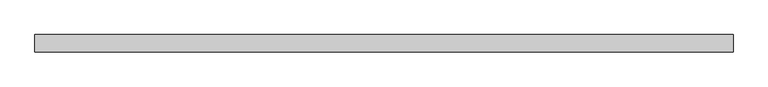
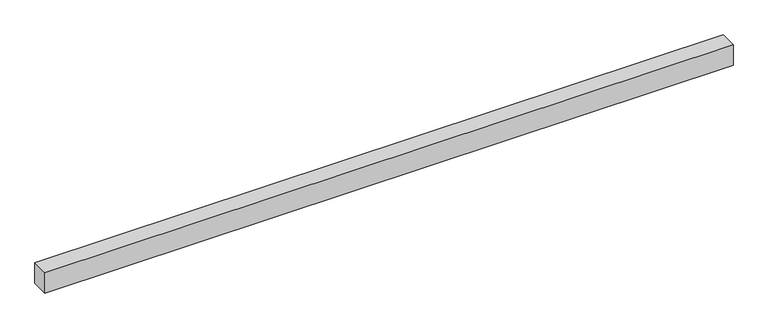
"""IFC4 building model written with IfcOpenShell, lengths in millimetres: proxy geometry."""

import ifcopenshell
import ifcopenshell.guid

model = None  # the IFC model being written
_history = None  # IfcOwnerHistory: only IFC2X3 demands one
_inside = {}  # id of a spatial element -> (the spatial element, [elements in it])
_under = {}  # id of a project, library or spatial element -> (it, [spatial elements below it])
_declared = {}  # id of a project -> (the project, [libraries it declares])
_typed = {}  # id of a type object -> (the type object, [elements of that type])
_made_of = {}  # id of a material, layer set ... -> (it, [elements and type objects made of it])


def new_model(schema):
    """Start an empty IFC model of exactly this schema.

    Asked for "IFC4X3", IfcOpenShell would pick the latest addendum, in which some entities
    have other attributes; the version numbers below select the first issue.
    IFC2X3 requires an IfcOwnerHistory on every rooted entity: one is made here for all.
    """
    global model, _history
    if schema == "IFC4X3":
        model = ifcopenshell.file(schema_version=(4, 3, 0, 0))
    else:
        model = ifcopenshell.file(schema=schema)
    _inside.clear()
    _under.clear()
    _declared.clear()
    _typed.clear()
    _made_of.clear()
    _history = None
    if model.schema == "IFC2X3":
        org = make("IfcOrganization", Name="unknown")
        user = make(
            "IfcPersonAndOrganization",
            ThePerson=make("IfcPerson", FamilyName="unknown"),
            TheOrganization=org,
        )
        app = make(
            "IfcApplication",
            ApplicationDeveloper=org,
            Version="unknown",
            ApplicationFullName="unknown",
            ApplicationIdentifier="unknown",
        )
        _history = make(
            "IfcOwnerHistory",
            OwningUser=user,
            OwningApplication=app,
            ChangeAction="ADDED",
            CreationDate=0,
        )
    return model


def make(cls, **values):
    """One entity of the class cls with the attributes given. An attribute that is None is left unset."""
    return model.create_entity(
        cls, **{name: value for name, value in values.items() if value is not None}
    )


def rooted(cls, **values):
    """An entity with a GlobalId (a new one), such as an element, a storey or a relation."""
    return make(cls, GlobalId=ifcopenshell.guid.new(), OwnerHistory=_history, **values)


def si_unit(unit_type, name, prefix=None):
    """IfcSIUnit, for example si_unit("LENGTHUNIT", "METRE", prefix="MILLI")."""
    return make("IfcSIUnit", UnitType=unit_type, Prefix=prefix, Name=name)


def assignment(units):
    """IfcUnitAssignment: the units of a project."""
    return None if units is None else make("IfcUnitAssignment", Units=units)


def point(xyz):
    """IfcCartesianPoint."""
    return None if xyz is None else make("IfcCartesianPoint", Coordinates=xyz)


def direction(xyz):
    """IfcDirection."""
    return None if xyz is None else make("IfcDirection", DirectionRatios=xyz)


def frame(location, z_axis=None, x_axis=None):
    """IfcAxis2Placement3D, a coordinate frame: its origin and axes. An axis left out is left unset."""
    return make(
        "IfcAxis2Placement3D",
        Location=point(location),
        Axis=direction(z_axis),
        RefDirection=direction(x_axis),
    )


def origin():
    """The frame at (0, 0, 0) with its axes left unset."""
    return frame((0.0, 0.0, 0.0))


def origin_with_axes():
    """The frame at (0, 0, 0) with the z axis (0, 0, 1) and the x axis (1, 0, 0) written out."""
    return frame((0.0, 0.0, 0.0), z_axis=(0.0, 0.0, 1.0), x_axis=(1.0, 0.0, 0.0))


def place(relative_to, where):
    """IfcLocalPlacement: puts the frame where relative to a parent placement (None: the world)."""
    return make(
        "IfcLocalPlacement", PlacementRelTo=relative_to, RelativePlacement=where
    )


def context(
    kind, dimensions, precision=None, world=None, true_north=None, identifier=None
):
    """IfcGeometricRepresentationContext, for example the 3D "Model" context."""
    return make(
        "IfcGeometricRepresentationContext",
        ContextIdentifier=identifier,
        ContextType=kind,
        CoordinateSpaceDimension=dimensions,
        Precision=precision,
        WorldCoordinateSystem=world,
        TrueNorth=true_north,
    )


def project(units=None, contexts=None):
    """IfcProject with its units and contexts."""
    return rooted(
        "IfcProject",
        Name="project",
        RepresentationContexts=contexts,
        UnitsInContext=assignment(units),
    )


def spatial(cls, under=None, at=None, **own):
    """A site, building, storey or space (cls), placed at a placement, below another one or the project."""
    s = rooted(cls, ObjectPlacement=at, **own)
    if under is not None:
        _under.setdefault(under.id(), (under, []))[1].append(s)
    return s


def polyline(points):
    """IfcPolyline through the points."""
    return make("IfcPolyline", Points=[point(p) for p in points])


def outline(outer, holes=None, kind="AREA"):
    """IfcArbitraryClosedProfileDef: a profile drawn as a closed curve; with holes, ...WithVoids."""
    if holes is None:
        return make("IfcArbitraryClosedProfileDef", ProfileType=kind, OuterCurve=outer)
    return make(
        "IfcArbitraryProfileDefWithVoids",
        ProfileType=kind,
        OuterCurve=outer,
        InnerCurves=holes,
    )


def extrude(swept, where, along, depth):
    """IfcExtrudedAreaSolid: the profile swept, set in the frame where, extruded along a direction by depth."""
    return make(
        "IfcExtrudedAreaSolid",
        SweptArea=swept,
        Position=where,
        ExtrudedDirection=direction(along),
        Depth=depth,
    )


def shape(context_of_items, identifier, shape_type, items):
    """IfcShapeRepresentation: the items that make up one representation, for example the "Body"."""
    return make(
        "IfcShapeRepresentation",
        ContextOfItems=context_of_items,
        RepresentationIdentifier=identifier,
        RepresentationType=shape_type,
        Items=items,
    )


def source(mapping_origin, context_of_items, identifier, shape_type, items):
    """IfcRepresentationMap: a shape defined once, which mapped items show again and again."""
    return make(
        "IfcRepresentationMap",
        MappingOrigin=mapping_origin,
        MappedRepresentation=shape(context_of_items, identifier, shape_type, items),
    )


def transform(
    local_origin,
    x_axis=None,
    y_axis=None,
    z_axis=None,
    scale=None,
    scale2=None,
    scale3=None,
    uniform=True,
):
    """IfcCartesianTransformationOperator3D, or its non-uniform kind. x_axis, y_axis, z_axis: its Axis1, 2, 3."""
    if uniform:
        return make(
            "IfcCartesianTransformationOperator3D",
            Axis1=direction(x_axis),
            Axis2=direction(y_axis),
            LocalOrigin=point(local_origin),
            Scale=scale,
            Axis3=direction(z_axis),
        )
    return make(
        "IfcCartesianTransformationOperator3DnonUniform",
        Axis1=direction(x_axis),
        Axis2=direction(y_axis),
        LocalOrigin=point(local_origin),
        Scale=scale,
        Axis3=direction(z_axis),
        Scale2=scale2,
        Scale3=scale3,
    )


def mapped(mapping_source, mapping_target):
    """IfcMappedItem: shows the shape of a source again, moved by a transform."""
    return make(
        "IfcMappedItem", MappingSource=mapping_source, MappingTarget=mapping_target
    )


def made_of(thing, what):
    """Note that an element or type object is made of a material, layer set ...; save() writes the relation."""
    if what is not None:
        _made_of.setdefault(what.id(), (what, []))[1].append(thing)
    return thing


def element(
    cls,
    number,
    at=None,
    inside=None,
    cuts=None,
    type_object=None,
    material=None,
    context=None,
    identifier="Body",
    shape_type=None,
    held_by="IfcProductDefinitionShape",
    body=None,
    shapes=None,
    **own,
):
    """One element of the class cls, such as IfcWall. Its Tag is "e" and its number.

    at: its placement. inside: the storey or other place that contains it. cuts: it is an
    opening in that element (IfcRelVoidsElement). A single representation is given by context,
    identifier, shape_type and body (its items); several are given by shapes. held_by: the class
    of the entity that holds the representations. save() writes the other relations.
    """
    e = rooted(cls, Tag="e%d" % number, ObjectPlacement=at, **own)
    if body is not None:
        shapes = [shape(context, identifier, shape_type, body)]
    if shapes is not None:
        e.Representation = make(held_by, Representations=shapes)
    if inside is not None:
        _inside.setdefault(inside.id(), (inside, []))[1].append(e)
    if cuts is not None:
        rooted(
            "IfcRelVoidsElement", RelatingBuildingElement=cuts, RelatedOpeningElement=e
        )
    if type_object is not None:
        _typed.setdefault(type_object.id(), (type_object, []))[1].append(e)
    return made_of(e, material)


def aggregate(whole, parts):
    """IfcRelAggregates: a whole, such as a stair, and the parts it consists of."""
    return rooted("IfcRelAggregates", RelatingObject=whole, RelatedObjects=parts)


def save(model, path):
    """Write the relations noted so far, then the file.

    IfcRelAggregates (storeys below a building ...), IfcRelContainedInSpatialStructure (elements
    in a storey), IfcRelDefinesByType, IfcRelAssociatesMaterial and IfcRelDeclares: one each for
    every whole, place, type object, material and project.
    """
    for whole, parts in _under.values():
        aggregate(whole, parts)
    for where, things in _inside.values():
        rooted(
            "IfcRelContainedInSpatialStructure",
            RelatedElements=things,
            RelatingStructure=where,
        )
    for kind, things in _typed.values():
        rooted("IfcRelDefinesByType", RelatedObjects=things, RelatingType=kind)
    for what, things in _made_of.values():
        rooted("IfcRelAssociatesMaterial", RelatedObjects=things, RelatingMaterial=what)
    for by, libraries in _declared.values():
        rooted("IfcRelDeclares", RelatingContext=by, RelatedDefinitions=libraries)
    model.write(path)


def generic_models_5e5771c4(model_context):
    return source(origin(), model_context, "Body", "SweptSolid", [
        extrude(outline(polyline([(3200.0, -40.0), (0.0, -40.0), (0.0, 40.0), (3200.0, 40.0), (3200.0, -40.0)])), origin_with_axes(), (0.0, 0.0, 1.0), 100.0),
    ])


if __name__ == "__main__":
    model = new_model("IFC4")
    model_context = context("Model", 3, world=origin())
    ifc_project = project(units=[si_unit("LENGTHUNIT", "METRE", prefix="MILLI")], contexts=[model_context])
    site = spatial("IfcSite", under=ifc_project)
    building = spatial("IfcBuilding", under=site)
    placement = place(None, origin())
    generic_models_shape = generic_models_5e5771c4(model_context)
    element("IfcBuildingElementProxy", 1, Name="Generic Models", at=placement, inside=building, context=model_context, shape_type="MappedRepresentation", body=[
        mapped(generic_models_shape, transform((0.0, 0.0, 0.0), x_axis=(1.0, 0.0, 0.0), y_axis=(0.0, 1.0, 0.0), z_axis=(0.0, 0.0, 1.0))),
    ])
    save(model, "model.ifc")
